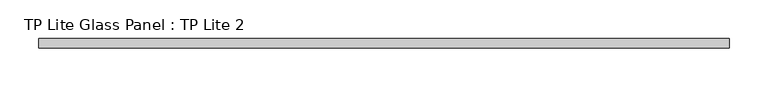
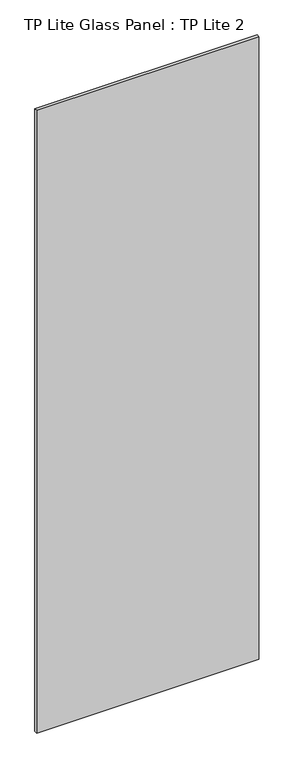
"""IFC4 building model written with IfcOpenShell, lengths in millimetres: plate geometry, TP Lite Glass Panel : TP Lite 2."""

from ifc_helpers import new_model, si_unit, origin, origin_with_axes, place, context, project, spatial, polyline, outline, extrude, source, transform, mapped, element, save


def tp_lite_glass_panel_tp_lite_2_ccdf4b36(model_context):
    return source(origin(), model_context, "Body", "SweptSolid", [
        extrude(outline(polyline([(445.5, 6.0), (445.5, -6.0), (-445.5, -6.0), (-445.5, 6.0), (445.5, 6.0)])), origin_with_axes(), (0.0, 0.0, 1.0), 2640.0000015),
    ])


if __name__ == "__main__":
    model = new_model("IFC4")
    model_context = context("Model", 3, world=origin())
    ifc_project = project(units=[si_unit("LENGTHUNIT", "METRE", prefix="MILLI")], contexts=[model_context])
    site = spatial("IfcSite", under=ifc_project)
    building = spatial("IfcBuilding", under=site)
    placement = place(None, origin())
    tp_lite_glass_panel_tp_lite_2_shape = tp_lite_glass_panel_tp_lite_2_ccdf4b36(model_context)
    element("IfcPlate", 1, ObjectType="TP Lite Glass Panel : TP Lite 2", at=placement, inside=building, context=model_context, shape_type="MappedRepresentation", body=[
        mapped(tp_lite_glass_panel_tp_lite_2_shape, transform((0.0, 0.0, 0.0), x_axis=(1.0, 0.0, 0.0), y_axis=(0.0, 1.0, 0.0), z_axis=(0.0, 0.0, 1.0))),
    ])
    save(model, "model.ifc")
